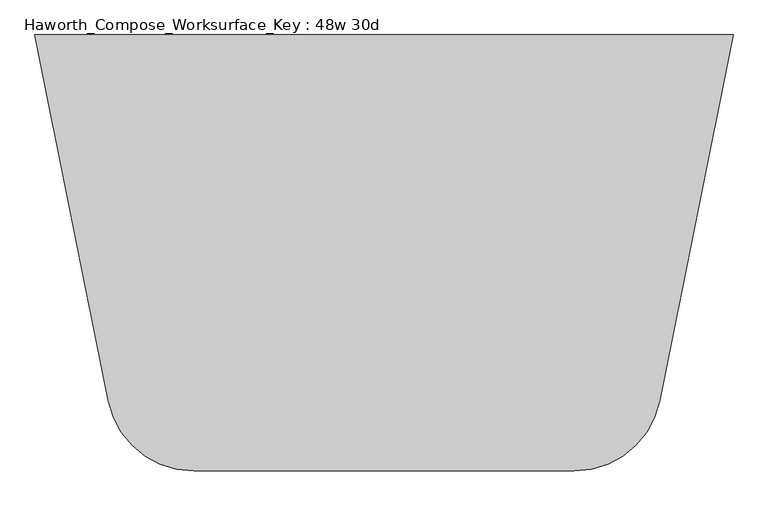
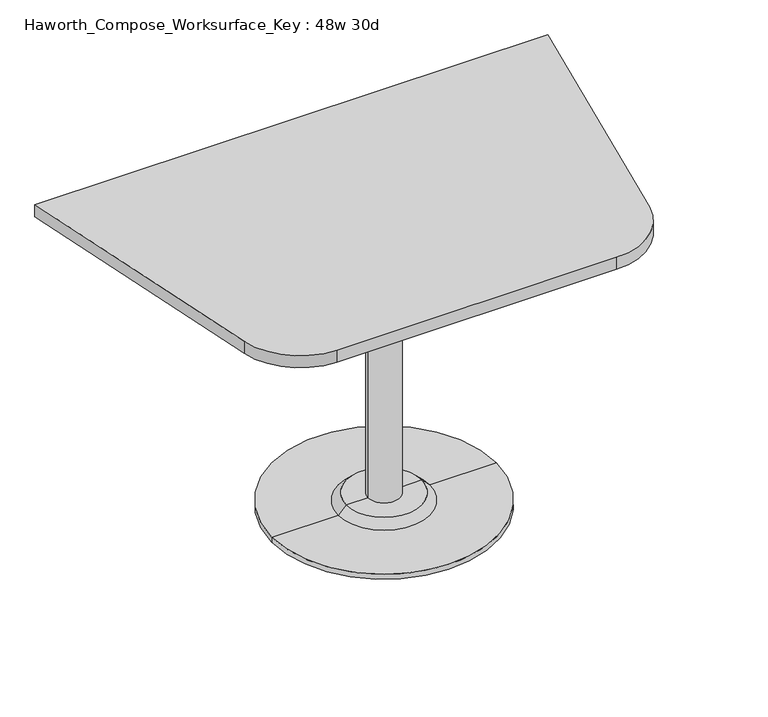
"""IFC4 building model written with IfcOpenShell, lengths in millimetres: furniture geometry, Haworth_Compose_Worksurface_Key : 48w 30d."""

import ifcopenshell
import ifcopenshell.guid

model = None  # the IFC model being written
_history = None  # IfcOwnerHistory: only IFC2X3 demands one
_inside = {}  # id of a spatial element -> (the spatial element, [elements in it])
_under = {}  # id of a project, library or spatial element -> (it, [spatial elements below it])
_declared = {}  # id of a project -> (the project, [libraries it declares])
_typed = {}  # id of a type object -> (the type object, [elements of that type])
_made_of = {}  # id of a material, layer set ... -> (it, [elements and type objects made of it])


def new_model(schema):
    """Start an empty IFC model of exactly this schema.

    Asked for "IFC4X3", IfcOpenShell would pick the latest addendum, in which some entities
    have other attributes; the version numbers below select the first issue.
    IFC2X3 requires an IfcOwnerHistory on every rooted entity: one is made here for all.
    """
    global model, _history
    if schema == "IFC4X3":
        model = ifcopenshell.file(schema_version=(4, 3, 0, 0))
    else:
        model = ifcopenshell.file(schema=schema)
    _inside.clear()
    _under.clear()
    _declared.clear()
    _typed.clear()
    _made_of.clear()
    _history = None
    if model.schema == "IFC2X3":
        org = make("IfcOrganization", Name="unknown")
        user = make(
            "IfcPersonAndOrganization",
            ThePerson=make("IfcPerson", FamilyName="unknown"),
            TheOrganization=org,
        )
        app = make(
            "IfcApplication",
            ApplicationDeveloper=org,
            Version="unknown",
            ApplicationFullName="unknown",
            ApplicationIdentifier="unknown",
        )
        _history = make(
            "IfcOwnerHistory",
            OwningUser=user,
            OwningApplication=app,
            ChangeAction="ADDED",
            CreationDate=0,
        )
    return model


def make(cls, **values):
    """One entity of the class cls with the attributes given. An attribute that is None is left unset."""
    return model.create_entity(
        cls, **{name: value for name, value in values.items() if value is not None}
    )


def rooted(cls, **values):
    """An entity with a GlobalId (a new one), such as an element, a storey or a relation."""
    return make(cls, GlobalId=ifcopenshell.guid.new(), OwnerHistory=_history, **values)


def si_unit(unit_type, name, prefix=None):
    """IfcSIUnit, for example si_unit("LENGTHUNIT", "METRE", prefix="MILLI")."""
    return make("IfcSIUnit", UnitType=unit_type, Prefix=prefix, Name=name)


def assignment(units):
    """IfcUnitAssignment: the units of a project."""
    return None if units is None else make("IfcUnitAssignment", Units=units)


def point(xyz):
    """IfcCartesianPoint."""
    return None if xyz is None else make("IfcCartesianPoint", Coordinates=xyz)


def direction(xyz):
    """IfcDirection."""
    return None if xyz is None else make("IfcDirection", DirectionRatios=xyz)


def frame(location, z_axis=None, x_axis=None):
    """IfcAxis2Placement3D, a coordinate frame: its origin and axes. An axis left out is left unset."""
    return make(
        "IfcAxis2Placement3D",
        Location=point(location),
        Axis=direction(z_axis),
        RefDirection=direction(x_axis),
    )


def frame_2d(location, x_axis=None):
    """IfcAxis2Placement2D, a coordinate frame in the plane: its origin and x axis."""
    return make(
        "IfcAxis2Placement2D", Location=point(location), RefDirection=direction(x_axis)
    )


def origin():
    """The frame at (0, 0, 0) with its axes left unset."""
    return frame((0.0, 0.0, 0.0))


def place(relative_to, where):
    """IfcLocalPlacement: puts the frame where relative to a parent placement (None: the world)."""
    return make(
        "IfcLocalPlacement", PlacementRelTo=relative_to, RelativePlacement=where
    )


def context(
    kind, dimensions, precision=None, world=None, true_north=None, identifier=None
):
    """IfcGeometricRepresentationContext, for example the 3D "Model" context."""
    return make(
        "IfcGeometricRepresentationContext",
        ContextIdentifier=identifier,
        ContextType=kind,
        CoordinateSpaceDimension=dimensions,
        Precision=precision,
        WorldCoordinateSystem=world,
        TrueNorth=true_north,
    )


def project(units=None, contexts=None):
    """IfcProject with its units and contexts."""
    return rooted(
        "IfcProject",
        Name="project",
        RepresentationContexts=contexts,
        UnitsInContext=assignment(units),
    )


def spatial(cls, under=None, at=None, **own):
    """A site, building, storey or space (cls), placed at a placement, below another one or the project."""
    s = rooted(cls, ObjectPlacement=at, **own)
    if under is not None:
        _under.setdefault(under.id(), (under, []))[1].append(s)
    return s


def polyline(points):
    """IfcPolyline through the points."""
    return make("IfcPolyline", Points=[point(p) for p in points])


def circle_curve(where, radius):
    """IfcCircle in the frame where."""
    return make("IfcCircle", Position=where, Radius=radius)


def trimmed(basis, trim1, trim2, sense, master):
    """IfcTrimmedCurve: the piece of a basis curve between two trims."""
    return make(
        "IfcTrimmedCurve",
        BasisCurve=basis,
        Trim1=trim1,
        Trim2=trim2,
        SenseAgreement=sense,
        MasterRepresentation=master,
    )


def segment(curve, same_sense, transition):
    """IfcCompositeCurveSegment."""
    return make(
        "IfcCompositeCurveSegment",
        Transition=transition,
        SameSense=same_sense,
        ParentCurve=curve,
    )


def composite_curve(segments, self_intersect=None):
    """IfcCompositeCurve: segments joined end to end."""
    return make("IfcCompositeCurve", Segments=segments, SelfIntersect=self_intersect)


def outline(outer, holes=None, kind="AREA"):
    """IfcArbitraryClosedProfileDef: a profile drawn as a closed curve; with holes, ...WithVoids."""
    if holes is None:
        return make("IfcArbitraryClosedProfileDef", ProfileType=kind, OuterCurve=outer)
    return make(
        "IfcArbitraryProfileDefWithVoids",
        ProfileType=kind,
        OuterCurve=outer,
        InnerCurves=holes,
    )


def extrude(swept, where, along, depth):
    """IfcExtrudedAreaSolid: the profile swept, set in the frame where, extruded along a direction by depth."""
    return make(
        "IfcExtrudedAreaSolid",
        SweptArea=swept,
        Position=where,
        ExtrudedDirection=direction(along),
        Depth=depth,
    )


def shape(context_of_items, identifier, shape_type, items):
    """IfcShapeRepresentation: the items that make up one representation, for example the "Body"."""
    return make(
        "IfcShapeRepresentation",
        ContextOfItems=context_of_items,
        RepresentationIdentifier=identifier,
        RepresentationType=shape_type,
        Items=items,
    )


def source(mapping_origin, context_of_items, identifier, shape_type, items):
    """IfcRepresentationMap: a shape defined once, which mapped items show again and again."""
    return make(
        "IfcRepresentationMap",
        MappingOrigin=mapping_origin,
        MappedRepresentation=shape(context_of_items, identifier, shape_type, items),
    )


def transform(
    local_origin,
    x_axis=None,
    y_axis=None,
    z_axis=None,
    scale=None,
    scale2=None,
    scale3=None,
    uniform=True,
):
    """IfcCartesianTransformationOperator3D, or its non-uniform kind. x_axis, y_axis, z_axis: its Axis1, 2, 3."""
    if uniform:
        return make(
            "IfcCartesianTransformationOperator3D",
            Axis1=direction(x_axis),
            Axis2=direction(y_axis),
            LocalOrigin=point(local_origin),
            Scale=scale,
            Axis3=direction(z_axis),
        )
    return make(
        "IfcCartesianTransformationOperator3DnonUniform",
        Axis1=direction(x_axis),
        Axis2=direction(y_axis),
        LocalOrigin=point(local_origin),
        Scale=scale,
        Axis3=direction(z_axis),
        Scale2=scale2,
        Scale3=scale3,
    )


def mapped(mapping_source, mapping_target):
    """IfcMappedItem: shows the shape of a source again, moved by a transform."""
    return make(
        "IfcMappedItem", MappingSource=mapping_source, MappingTarget=mapping_target
    )


def made_of(thing, what):
    """Note that an element or type object is made of a material, layer set ...; save() writes the relation."""
    if what is not None:
        _made_of.setdefault(what.id(), (what, []))[1].append(thing)
    return thing


def element(
    cls,
    number,
    at=None,
    inside=None,
    cuts=None,
    type_object=None,
    material=None,
    context=None,
    identifier="Body",
    shape_type=None,
    held_by="IfcProductDefinitionShape",
    body=None,
    shapes=None,
    **own,
):
    """One element of the class cls, such as IfcWall. Its Tag is "e" and its number.

    at: its placement. inside: the storey or other place that contains it. cuts: it is an
    opening in that element (IfcRelVoidsElement). A single representation is given by context,
    identifier, shape_type and body (its items); several are given by shapes. held_by: the class
    of the entity that holds the representations. save() writes the other relations.
    """
    e = rooted(cls, Tag="e%d" % number, ObjectPlacement=at, **own)
    if body is not None:
        shapes = [shape(context, identifier, shape_type, body)]
    if shapes is not None:
        e.Representation = make(held_by, Representations=shapes)
    if inside is not None:
        _inside.setdefault(inside.id(), (inside, []))[1].append(e)
    if cuts is not None:
        rooted(
            "IfcRelVoidsElement", RelatingBuildingElement=cuts, RelatedOpeningElement=e
        )
    if type_object is not None:
        _typed.setdefault(type_object.id(), (type_object, []))[1].append(e)
    return made_of(e, material)


def aggregate(whole, parts):
    """IfcRelAggregates: a whole, such as a stair, and the parts it consists of."""
    return rooted("IfcRelAggregates", RelatingObject=whole, RelatedObjects=parts)


def save(model, path):
    """Write the relations noted so far, then the file.

    IfcRelAggregates (storeys below a building ...), IfcRelContainedInSpatialStructure (elements
    in a storey), IfcRelDefinesByType, IfcRelAssociatesMaterial and IfcRelDeclares: one each for
    every whole, place, type object, material and project.
    """
    for whole, parts in _under.values():
        aggregate(whole, parts)
    for where, things in _inside.values():
        rooted(
            "IfcRelContainedInSpatialStructure",
            RelatedElements=things,
            RelatingStructure=where,
        )
    for kind, things in _typed.values():
        rooted("IfcRelDefinesByType", RelatedObjects=things, RelatingType=kind)
    for what, things in _made_of.values():
        rooted("IfcRelAssociatesMaterial", RelatedObjects=things, RelatingMaterial=what)
    for by, libraries in _declared.values():
        rooted("IfcRelDeclares", RelatingContext=by, RelatedDefinitions=libraries)
    model.write(path)


def plane_surface(at):
    """IfcPlane: the flat surface through the origin of the frame at, square to its z axis."""
    return make("IfcPlane", Position=at)


def cylinder_surface(at, radius):
    """IfcCylindricalSurface: all points at the distance radius from the z axis of the frame at."""
    return make("IfcCylindricalSurface", Position=at, Radius=radius)


def revolved_surface(curve, axis_point, axis_direction):
    """IfcSurfaceOfRevolution: the curve turned about the line through axis_point along axis_direction."""
    return make(
        "IfcSurfaceOfRevolution",
        SweptCurve=make("IfcArbitraryOpenProfileDef", ProfileType="CURVE", Curve=curve),
        AxisPosition=make("IfcAxis1Placement", Location=point(axis_point), Axis=direction(axis_direction)),
    )


def advanced_brep(points, edges, surfaces, faces):
    """IfcAdvancedBrep: a solid bounded by faces that lie on surfaces and meet in shared edges.

    An edge is (start, end): straight between two places in points (the first is 0);
    or (start, end, curve); or (start, end, curve, False) where it runs against its curve.
    A face is (place in surfaces, loops), or (place, loops, False) where it looks against
    its surface's normal. A loop lists edges by number (the first is 1), with a minus sign
    where the edge is run from its end to its start. The first loop is the outer one.
    """
    corners = [point(p) for p in points]
    vertices = [make("IfcVertexPoint", VertexGeometry=c) for c in corners]
    made = []
    for start, end, *more in edges:
        made.append(
            make(
                "IfcEdgeCurve",
                EdgeStart=vertices[start],
                EdgeEnd=vertices[end],
                EdgeGeometry=more[0] if more else make("IfcPolyline", Points=[corners[start], corners[end]]),
                SameSense=more[1] if len(more) > 1 else True,
            )
        )
    hull = []
    for where, loops, *sense in faces:
        bounds = []
        for j, loop in enumerate(loops):
            ring = [make("IfcOrientedEdge", EdgeElement=made[abs(k) - 1], Orientation=k > 0) for k in loop]
            bounds.append(
                make(
                    "IfcFaceOuterBound" if j == 0 else "IfcFaceBound",
                    Bound=make("IfcEdgeLoop", EdgeList=ring),
                    Orientation=True,
                )
            )
        hull.append(make("IfcAdvancedFace", Bounds=bounds, FaceSurface=surfaces[where], SameSense=sense[0] if sense else True))
    return make("IfcAdvancedBrep", Outer=make("IfcClosedShell", CfsFaces=hull))


def haworth_compose_worksurface_key_48w_30d_777b336b(model_context):
    return source(origin(), model_context, "Body", "SolidModel", [
        advanced_brep(
        [(38.1, 139.7, 706.4375), (-38.1, 139.7, 706.4375), (0.0, 139.7, 706.4375), (38.1, 139.7, 31.75), (-38.1, 139.7, 31.75), (89.723978, 139.7, 31.75), (-89.723978, 139.7, 31.75), (266.7, 139.7, 0.0), (-266.7, 139.7, 0.0), (-266.7, 139.7, 12.7), (266.7, 139.7, 12.7), (0.0, 139.7, 0.0), (108.773978, 139.7, 12.7), (-108.773978, 139.7, 12.7)],
        [
            (0, 1, circle_curve(frame((0.0, 139.7, 706.4375), z_axis=(0.0, 0.0, 1.0), x_axis=(-1.0, 0.0, 0.0)), 38.1)),
            (1, 2),
            (2, 0),
            (1, 0, circle_curve(frame((0.0, 139.7, 706.4375), z_axis=(0.0, 0.0, 1.0), x_axis=(-1.0, 0.0, 0.0)), 38.1)),
            (3, 4, circle_curve(frame((0.0, 139.7, 31.75), z_axis=(0.0, 0.0, 1.0), x_axis=(-1.0, 0.0, 0.0)), 38.1)),
            (4, 1),
            (0, 3),
            (4, 3, circle_curve(frame((0.0, 139.7, 31.75), z_axis=(0.0, 0.0, 1.0), x_axis=(-1.0, 0.0, 0.0)), 38.1)),
            (5, 6, circle_curve(frame((0.0, 139.7, 31.75), z_axis=(0.0, 0.0, 1.0), x_axis=(-1.0, 0.0, 0.0)), 89.723978)),
            (6, 4),
            (3, 5),
            (6, 5, circle_curve(frame((0.0, 139.7, 31.75), z_axis=(0.0, 0.0, 1.0), x_axis=(-1.0, 0.0, 0.0)), 89.723978)),
            (7, 8, circle_curve(frame((0.0, 139.7, 0.0), z_axis=(0.0, 0.0, 1.0), x_axis=(-1.0, 0.0, 0.0)), 266.7)),
            (8, 9),
            (9, 10, circle_curve(frame((0.0, 139.7, 12.7), z_axis=(0.0, 0.0, -1.0), x_axis=(-1.0, 0.0, 0.0)), 266.7)),
            (10, 7),
            (8, 7, circle_curve(frame((0.0, 139.7, 0.0), z_axis=(0.0, 0.0, 1.0), x_axis=(-1.0, 0.0, 0.0)), 266.7)),
            (10, 9, circle_curve(frame((0.0, 139.7, 12.7), z_axis=(0.0, 0.0, -1.0), x_axis=(-1.0, 0.0, 0.0)), 266.7)),
            (11, 8),
            (7, 11),
            (12, 13, circle_curve(frame((0.0, 139.7, 12.7), z_axis=(0.0, 0.0, 1.0), x_axis=(-1.0, 0.0, 0.0)), 108.773978)),
            (13, 6),
            (5, 12),
            (13, 12, circle_curve(frame((0.0, 139.7, 12.7), z_axis=(0.0, 0.0, 1.0), x_axis=(-1.0, 0.0, 0.0)), 108.773978)),
            (9, 13),
            (12, 10),
        ],
        [
            plane_surface(frame((0.0, 139.7, 706.4375), z_axis=(0.0, 0.0, 1.0), x_axis=(-1.0, 0.0, 0.0))),
            cylinder_surface(frame((0.0, 139.7, 889.623257), z_axis=(0.0, 0.0, -1.0), x_axis=(-1.0, 0.0, 0.0)), 38.1),
            plane_surface(frame((0.0, 139.7, 31.75), z_axis=(0.0, 0.0, 1.0), x_axis=(-1.0, 0.0, 0.0))),
            cylinder_surface(frame((0.0, 139.7, 889.623257), z_axis=(0.0, 0.0, -1.0), x_axis=(-1.0, 0.0, 0.0)), 266.7),
            plane_surface(frame((0.0, 139.7, 0.0), z_axis=(0.0, 0.0, -1.0), x_axis=(-1.0, 0.0, 0.0))),
            revolved_surface(polyline([(-89.723978, 139.7, 31.75), (-108.773978, 139.7, 12.7)]), (0.0, 139.7, 889.623257), (0.0, 0.0, -1.0)),
            plane_surface(frame((0.0, 139.7, 12.7), z_axis=(0.0, 0.0, 1.0), x_axis=(-1.0, 0.0, 0.0))),
        ],
        [
            (0, [[1, 2, 3]]),
            (0, [[4, -3, -2]]),
            (1, [[5, 6, -1, 7]]),
            (1, [[8, -7, -4, -6]]),
            (2, [[9, 10, -5, 11]]),
            (2, [[12, -11, -8, -10]]),
            (3, [[13, 14, 15, 16]]),
            (3, [[17, -16, 18, -14]]),
            (4, [[19, -13, 20]]),
            (4, [[-20, -17, -19]]),
            (5, [[21, 22, -9, 23]]),
            (5, [[24, -23, -12, -22]]),
            (6, [[-15, 25, -21, 26]]),
            (6, [[-18, -26, -24, -25]]),
        ],
    ),
        extrude(outline(composite_curve([segment(polyline([(609.6, 520.7), (481.7023802, -118.788099)]), True, "CONTINUOUS"), segment(trimmed(circle_curve(frame_2d((332.2618852, -88.9)), 152.4), [point((481.7023802, -118.788099))], [point((332.2618852, -241.3))], False, "CARTESIAN"), True, "CONTINUOUS"), segment(polyline([(332.2618852, -241.3), (-332.2618852, -241.3)]), True, "CONTINUOUS"), segment(trimmed(circle_curve(frame_2d((-332.2618852, -88.9)), 152.4), [point((-332.2618852, -241.3))], [point((-481.7023802, -118.788099))], False, "CARTESIAN"), True, "CONTINUOUS"), segment(polyline([(-481.7023802, -118.788099), (-609.6, 520.7), (609.6, 520.7)]), True, "CONTINUOUS")], self_intersect=False)), frame((0.0, 0.0, 706.4375), z_axis=(0.0, 0.0, 1.0), x_axis=(1.0, 0.0, 0.0)), (0.0, 0.0, 1.0), 30.1625),
    ])


if __name__ == "__main__":
    model = new_model("IFC4")
    model_context = context("Model", 3, world=origin())
    ifc_project = project(units=[si_unit("LENGTHUNIT", "METRE", prefix="MILLI")], contexts=[model_context])
    site = spatial("IfcSite", under=ifc_project)
    building = spatial("IfcBuilding", under=site)
    placement = place(None, origin())
    haworth_compose_worksurface_key_48w_30d_shape = haworth_compose_worksurface_key_48w_30d_777b336b(model_context)
    element("IfcFurniture", 1, ObjectType="Haworth_Compose_Worksurface_Key : 48w 30d", at=placement, inside=building, context=model_context, shape_type="MappedRepresentation", body=[
        mapped(haworth_compose_worksurface_key_48w_30d_shape, transform((0.0, 0.0, 0.0), x_axis=(1.0, 0.0, 0.0), y_axis=(0.0, 1.0, 0.0), z_axis=(0.0, 0.0, 1.0))),
    ])
    save(model, "model.ifc")
